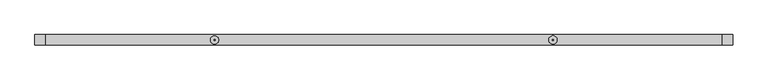
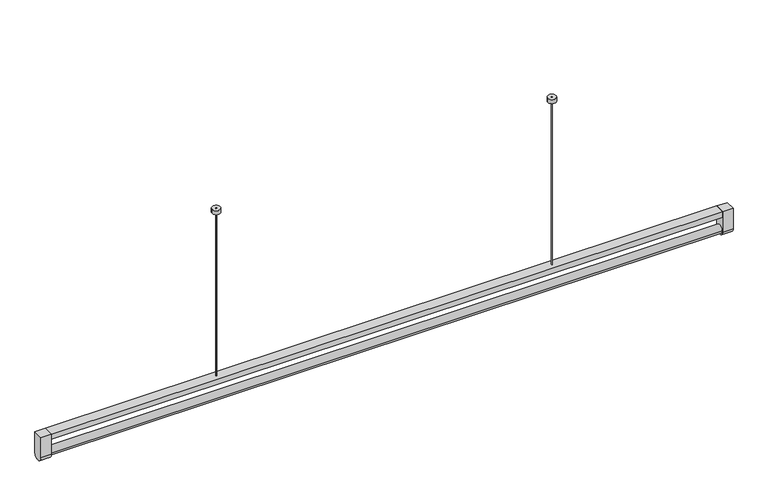
"""IFC4 building model written with IfcOpenShell, lengths in millimetres: light fixture geometry."""

from ifc_helpers import new_model, si_unit, point, frame, frame_2d, origin, place, context, project, spatial, polyline, circle_curve, trimmed, segment, composite_curve, outline, extrude, source, transform, mapped, element, save


def light_fixture_d2c03bd7(model_context):
    return source(origin(), model_context, "Body", "SweptSolid", [
        extrude(outline(composite_curve([segment(trimmed(circle_curve(frame_2d((0.0, -572.0)), 12.0), [point((-12.0, -572.0))], [point((12.0, -572.0))], False, "CARTESIAN"), True, "CONTINUOUS"), segment(trimmed(circle_curve(frame_2d((0.0, -572.0)), 12.0), [point((12.0, -572.0))], [point((-12.0, -572.0))], False, "CARTESIAN"), True, "CONTINUOUS")], self_intersect=False)), frame((-970.0, 0.0, 0.0), z_axis=(1.0, 0.0, 0.0), x_axis=(0.0, 1.0, 0.0)), (0.0, 0.0, 1.0), 1940.0),
        extrude(outline(composite_curve([segment(trimmed(circle_curve(frame_2d((0.0, -573.6987298)), 15.0), [point((15.0, -573.6987298))], [point((-15.0, -573.6987298))], False, "CARTESIAN"), True, "CONTINUOUS"), segment(polyline([(-15.0, -573.6987298), (-15.0, -512.0), (15.0, -512.0), (15.0, -573.6987298)]), True, "CONTINUOUS")], self_intersect=False)), frame((-1000.0, 0.0, 0.0), z_axis=(1.0, 0.0, 0.0), x_axis=(0.0, 1.0, 0.0)), (0.0, 0.0, 1.0), 30.0),
        extrude(outline(composite_curve([segment(trimmed(circle_curve(frame_2d((0.0, -573.6987298)), 15.0), [point((15.0, -573.6987298))], [point((-15.0, -573.6987298))], False, "CARTESIAN"), True, "CONTINUOUS"), segment(polyline([(-15.0, -573.6987298), (-15.0, -512.0), (15.0, -512.0), (15.0, -573.6987298)]), True, "CONTINUOUS")], self_intersect=False)), frame((970.0, 0.0, 0.0), z_axis=(1.0, 0.0, 0.0), x_axis=(0.0, 1.0, 0.0)), (0.0, 0.0, 1.0), 30.0),
        extrude(outline(composite_curve([segment(trimmed(circle_curve(frame_2d((-485.0, 0.0)), 1.5), [point((-486.5, 0.0))], [point((-483.5, 0.0))], False, "CARTESIAN"), True, "CONTINUOUS"), segment(trimmed(circle_curve(frame_2d((-485.0, 0.0)), 1.5), [point((-483.5, 0.0))], [point((-486.5, 0.0))], False, "CARTESIAN"), True, "CONTINUOUS")], self_intersect=False)), frame((0.0, 0.0, -512.0), z_axis=(0.0, 0.0, 1.0), x_axis=(1.0, 0.0, 0.0)), (0.0, 0.0, 1.0), 512.0),
        extrude(outline(composite_curve([segment(trimmed(circle_curve(frame_2d((485.0, 0.0)), 1.5), [point((483.5, 0.0))], [point((486.5, 0.0))], False, "CARTESIAN"), True, "CONTINUOUS"), segment(trimmed(circle_curve(frame_2d((485.0, 0.0)), 1.5), [point((486.5, 0.0))], [point((483.5, 0.0))], False, "CARTESIAN"), True, "CONTINUOUS")], self_intersect=False)), frame((0.0, 0.0, -512.0), z_axis=(0.0, 0.0, 1.0), x_axis=(1.0, 0.0, 0.0)), (0.0, 0.0, 1.0), 512.0),
        extrude(outline(composite_curve([segment(trimmed(circle_curve(frame_2d((-485.0, 0.0)), 11.8151756), [point((-496.8151756, 0.0))], [point((-473.1848244, 0.0))], False, "CARTESIAN"), True, "CONTINUOUS"), segment(trimmed(circle_curve(frame_2d((-485.0, 0.0)), 11.8151756), [point((-473.1848244, 0.0))], [point((-496.8151756, 0.0))], False, "CARTESIAN"), True, "CONTINUOUS")], self_intersect=False)), frame((0.0, 0.0, -12.0), z_axis=(0.0, 0.0, 1.0), x_axis=(1.0, 0.0, 0.0)), (0.0, 0.0, 1.0), 12.0),
        extrude(outline(composite_curve([segment(trimmed(circle_curve(frame_2d((485.0, 0.0)), 12.0), [point((473.0, 0.0))], [point((497.0, 0.0))], False, "CARTESIAN"), True, "CONTINUOUS"), segment(trimmed(circle_curve(frame_2d((485.0, 0.0)), 12.0), [point((497.0, 0.0))], [point((473.0, 0.0))], False, "CARTESIAN"), True, "CONTINUOUS")], self_intersect=False)), frame((0.0, 0.0, -12.0), z_axis=(0.0, 0.0, 1.0), x_axis=(1.0, 0.0, 0.0)), (0.0, 0.0, 1.0), 12.0),
        extrude(outline(polyline([(970.0, 15.0), (970.0, -15.0), (-970.0, -15.0), (-970.0, 15.0), (970.0, 15.0)])), frame((0.0, 0.0, -528.0), z_axis=(0.0, 0.0, 1.0), x_axis=(1.0, 0.0, 0.0)), (0.0, 0.0, 1.0), 16.0),
    ])


if __name__ == "__main__":
    model = new_model("IFC4")
    model_context = context("Model", 3, world=origin())
    ifc_project = project(units=[si_unit("LENGTHUNIT", "METRE", prefix="MILLI")], contexts=[model_context])
    site = spatial("IfcSite", under=ifc_project)
    building = spatial("IfcBuilding", under=site)
    placement = place(None, origin())
    light_fixture_shape = light_fixture_d2c03bd7(model_context)
    element("IfcLightFixture", 1, at=placement, inside=building, context=model_context, shape_type="MappedRepresentation", body=[
        mapped(light_fixture_shape, transform((0.0, 0.0, 0.0), x_axis=(1.0, 0.0, 0.0), y_axis=(0.0, 1.0, 0.0), z_axis=(0.0, 0.0, 1.0))),
    ])
    save(model, "model.ifc")
